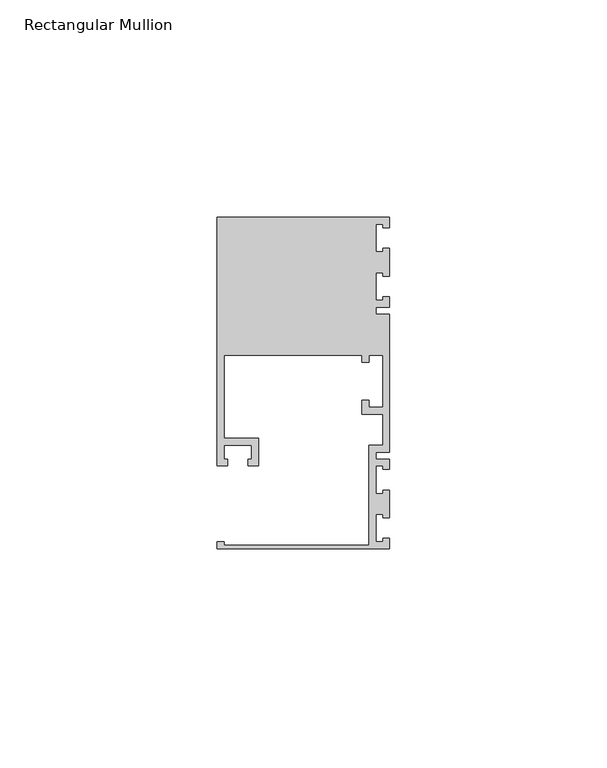
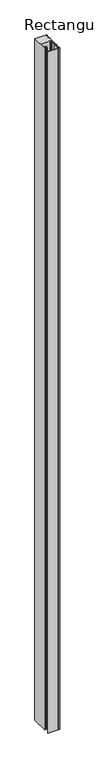
"""IFC4 building model written with IfcOpenShell, lengths in millimetres: member geometry, Rectangular Mullion."""

from ifc_helpers import new_model, si_unit, frame, origin, place, context, project, spatial, polyline, outline, extrude, source, transform, mapped, element, save


def rectangular_mullion_86674f8e(model_context):
    return source(origin(), model_context, "Body", "SweptSolid", [
        extrude(outline(polyline([(0.0, -38.1), (-39.6875, -38.1), (-39.6875, -36.5125), (-38.1, -36.5125), (-38.1, -37.30625), (-4.7625, -37.30625), (-4.7625, -14.2875), (-1.5875, -14.2875), (-1.5875, -7.14375), (-6.35, -7.14375), (-6.35, -3.96875), (-4.7625, -3.96875), (-4.7625, -5.55625), (-1.5875, -5.55625), (-1.5875, 6.35), (-4.7625, 6.35), (-4.7625, 4.7625), (-6.35, 4.7625), (-6.35, 6.35), (-38.1, 6.35), (-38.1, -12.7), (-30.1625, -12.7), (-30.1625, -19.05), (-32.54375, -19.05), (-32.54375, -17.4625), (-31.75, -17.4625), (-31.75, -14.2875), (-38.1, -14.2875), (-38.1, -17.4625), (-37.30625, -17.4625), (-37.30625, -19.05), (-39.6875, -19.05), (-39.6875, 38.1), (0.0, 38.1), (0.0, 35.71875), (-1.4999946, 35.71875), (-1.4999946, 36.5125), (-3.175, 36.5125), (-3.175, 30.1625), (-1.4999946, 30.1625), (-1.4999946, 30.95625), (0.0, 30.95625), (0.0, 24.60625), (-1.4999946, 24.60625), (-1.4999946, 25.4), (-3.175, 25.4), (-3.175, 19.05), (-1.4999946, 19.05), (-1.4999946, 19.84375), (0.0, 19.84375), (0.0, 17.4625), (-3.175, 17.4625), (-3.175, 15.875), (0.0, 15.875), (0.0, -15.875), (-3.175, -15.875), (-3.175, -17.4625), (0.0, -17.4625), (0.0, -19.84375), (-1.4999946, -19.84375), (-1.4999946, -19.05), (-3.175, -19.05), (-3.175, -25.4), (-1.4999946, -25.4), (-1.4999946, -24.60625), (0.0, -24.60625), (0.0, -30.95625), (-1.4999946, -30.95625), (-1.4999946, -30.1625), (-3.175, -30.1625), (-3.175, -36.5125), (-1.4999946, -36.5125), (-1.4999946, -35.71875), (0.0, -35.71875), (0.0, -38.1)])), frame((0.0, 0.0, -2438.4), z_axis=(0.0, 0.0, 1.0), x_axis=(1.0, 0.0, 0.0)), (0.0, 0.0, 1.0), 2438.4),
    ])


if __name__ == "__main__":
    model = new_model("IFC4")
    model_context = context("Model", 3, world=origin())
    ifc_project = project(units=[si_unit("LENGTHUNIT", "METRE", prefix="MILLI")], contexts=[model_context])
    site = spatial("IfcSite", under=ifc_project)
    building = spatial("IfcBuilding", under=site)
    placement = place(None, origin())
    rectangular_mullion_shape = rectangular_mullion_86674f8e(model_context)
    element("IfcMember", 1, ObjectType="Rectangular Mullion", at=placement, inside=building, context=model_context, shape_type="MappedRepresentation", body=[
        mapped(rectangular_mullion_shape, transform((0.0, 0.0, 0.0), x_axis=(1.0, 0.0, 0.0), y_axis=(0.0, 1.0, 0.0), z_axis=(0.0, 0.0, 1.0))),
    ])
    save(model, "model.ifc")
